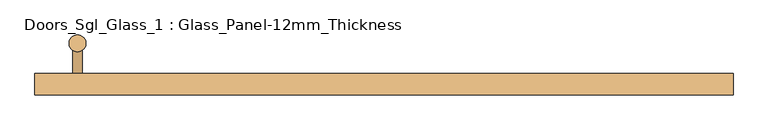
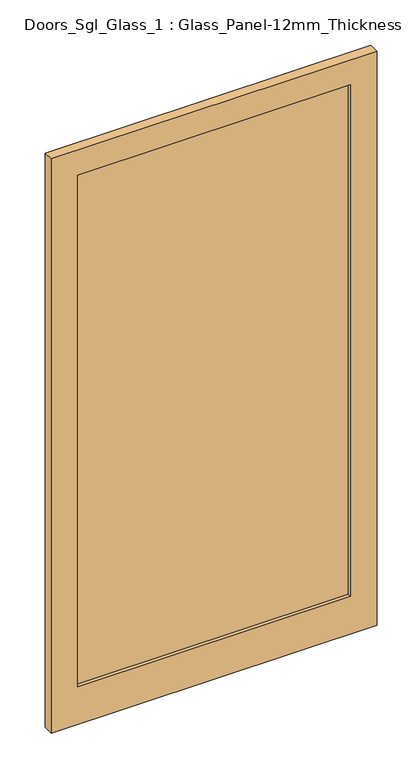
"""IFC4 building model written with IfcOpenShell, lengths in millimetres: door geometry, Doors_Sgl_Glass_1 : Glass_Panel-12mm_Thickness."""

from ifc_helpers import new_model, si_unit, point, frame, frame_2d, origin, place, context, project, spatial, polyline, circle_curve, trimmed, segment, composite_curve, outline, extrude, source, transform, mapped, element, save


def doors_sgl_glass_1_glass_panel_12mm_thickness_f4de3610(model_context):
    return source(origin(), model_context, "Body", "SweptSolid", [
        extrude(outline(composite_curve([segment(trimmed(circle_curve(frame_2d((-540.0, 116.0)), 15.0), [point((-540.0, 101.0))], [point((-540.0, 131.0))], False, "CARTESIAN"), True, "CONTINUOUS"), segment(trimmed(circle_curve(frame_2d((-540.0, 116.0)), 15.0), [point((-540.0, 131.0))], [point((-540.0, 101.0))], False, "CARTESIAN"), True, "CONTINUOUS")], self_intersect=False)), frame((0.0, 0.0, 650.0), z_axis=(0.0, 0.0, 1.0), x_axis=(1.0, 0.0, 0.0)), (0.0, 0.0, 1.0), 900.0),
        extrude(outline(composite_curve([segment(trimmed(circle_curve(frame_2d((1450.0, -540.0)), 8.0), [point((1450.0, -532.0))], [point((1450.0, -548.0))], False, "CARTESIAN"), True, "CONTINUOUS"), segment(trimmed(circle_curve(frame_2d((1450.0, -540.0)), 8.0), [point((1450.0, -548.0))], [point((1450.0, -532.0))], False, "CARTESIAN"), True, "CONTINUOUS")], self_intersect=False)), frame((0.0, 63.0, 0.0), z_axis=(0.0, 1.0, 0.0), x_axis=(0.0, 0.0, 1.0)), (0.0, 0.0, 1.0), 53.0),
        extrude(outline(composite_curve([segment(trimmed(circle_curve(frame_2d((750.0, -540.0)), 8.0), [point((750.0, -532.0))], [point((750.0, -548.0))], False, "CARTESIAN"), True, "CONTINUOUS"), segment(trimmed(circle_curve(frame_2d((750.0, -540.0)), 8.0), [point((750.0, -548.0))], [point((750.0, -532.0))], False, "CARTESIAN"), True, "CONTINUOUS")], self_intersect=False)), frame((0.0, 63.0, 0.0), z_axis=(0.0, 1.0, 0.0), x_axis=(0.0, 0.0, 1.0)), (0.0, 0.0, 1.0), 53.0),
        extrude(outline(polyline([(0.0, -615.0), (0.0, 615.0), (2290.0, 615.0), (2290.0, -615.0), (0.0, -615.0)]), holes=[polyline([(2190.0, 515.0), (150.0, 515.0), (150.0, -515.0), (2190.0, -515.0), (2190.0, 515.0)])]), frame((0.0, 25.0, 0.0), z_axis=(0.0, 1.0, 0.0), x_axis=(0.0, 0.0, 1.0)), (0.0, 0.0, 1.0), 38.0),
        extrude(outline(polyline([(515.0, 50.0), (515.0, 38.0), (-515.0, 38.0), (-515.0, 50.0), (515.0, 50.0)])), frame((0.0, 0.0, 150.0), z_axis=(0.0, 0.0, 1.0), x_axis=(1.0, 0.0, 0.0)), (0.0, 0.0, 1.0), 2040.0),
    ])


if __name__ == "__main__":
    model = new_model("IFC4")
    model_context = context("Model", 3, world=origin())
    ifc_project = project(units=[si_unit("LENGTHUNIT", "METRE", prefix="MILLI")], contexts=[model_context])
    site = spatial("IfcSite", under=ifc_project)
    building = spatial("IfcBuilding", under=site)
    placement = place(None, origin())
    doors_sgl_glass_1_glass_panel_12mm_thickness_shape = doors_sgl_glass_1_glass_panel_12mm_thickness_f4de3610(model_context)
    element("IfcDoor", 1, ObjectType="Doors_Sgl_Glass_1 : Glass_Panel-12mm_Thickness", at=placement, inside=building, context=model_context, shape_type="MappedRepresentation", body=[
        mapped(doors_sgl_glass_1_glass_panel_12mm_thickness_shape, transform((0.0, 0.0, 0.0), x_axis=(1.0, 0.0, 0.0), y_axis=(0.0, 1.0, 0.0), z_axis=(0.0, 0.0, 1.0))),
    ])
    save(model, "model.ifc")
